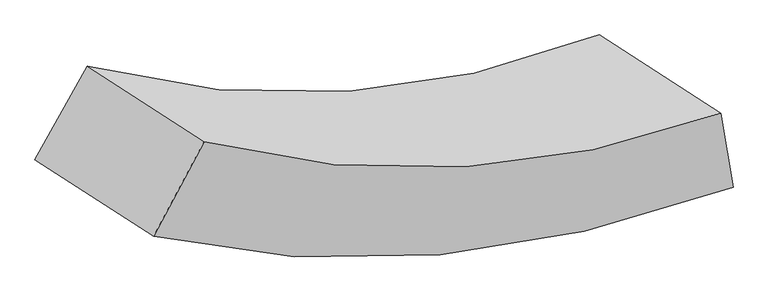
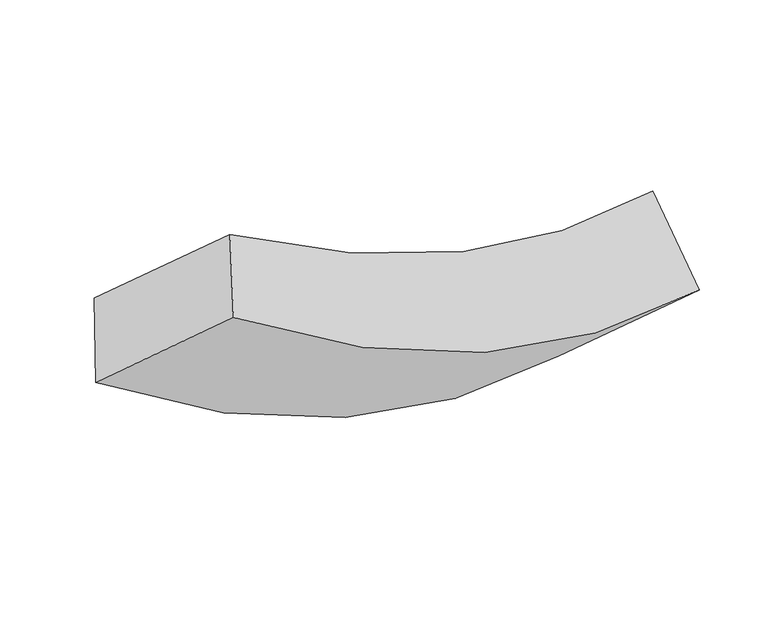
"""IFC4 building model written with IfcOpenShell, lengths in millimetres: proxy geometry."""

from ifc_helpers import new_model, si_unit, frame, origin, place, context, project, spatial, source, transform, mapped, element, save
from ifc_brep_helpers import plane_surface, spline_curve, spline_surface, advanced_brep


def generic_models_8c2211a6(model_context):
    return source(origin(), model_context, "Body", "AdvancedBrep", [
        advanced_brep(
        [(11587.5654352, -2966.6984541, 1750.2160393), (10916.8951289, -2532.9764426, 1264.0971682), (8083.7902625, -2705.0772756, 2078.2374732), (8729.73717, -3122.8106826, 2546.4361968), (11656.5078767, -3376.1479503, 1289.7835797), (8450.0012795, -3646.8687264, 2385.9849424), (10985.8375704, -2942.4259388, 803.6647086), (7793.4542188, -3222.2802079, 1910.1029584)],
        [
            (0, 1),
            (1, 2, spline_curve(3, [(10916.8951289, -2532.9764426, 1264.0971682), (10455.781714131, -2709.835886767, 1315.711418487), (9994.664688101, -2814.015080244, 1406.826243189), (9050.296754201, -2878.524428078, 1674.324560789), (8567.045491399, -2831.712178854, 1854.589837764), (8083.7902625, -2705.0772756, 2078.2374732)], [4, 2, 4], [0.0, 0.48828493720290655, 1.0])),
            (2, 3),
            (3, 0, spline_curve(3, [(8729.73717, -3122.8106826, 2546.4361968), (9208.312217882, -3246.418916116, 2319.3962473), (9691.436178328, -3293.148839048, 2139.038698585), (10644.452629528, -3234.232481215, 1877.809045985), (11113.938090762, -3135.465148826, 1792.759875553), (11587.5654352, -2966.6984541, 1750.2160393)], [4, 2, 4], [0.0, 0.5117150627970934, 1.0])),
            (4, 0),
            (3, 5),
            (5, 4, spline_curve(3, [(8450.0012795, -3646.8687264, 2385.9849424), (8960.087073133, -3764.338541557, 2080.598931884), (9489.031331158, -3798.067663035, 1835.802591595), (10559.55428889, -3700.334420903, 1475.823604094), (11099.445563119, -3576.365040678, 1355.219490183), (11656.5078767, -3376.1479503, 1289.7835797)], [4, 2, 4], [0.0, 5.440408289140913, 10.631714179768355])),
            (6, 4),
            (5, 7),
            (7, 6, spline_curve(3, [(7793.4542188, -3222.2802079, 1910.1029584), (8301.167941084, -3338.216006191, 1602.997610372), (8827.72121781, -3370.398881625, 1356.468226021), (9893.534734826, -3269.620047711, 993.075716321), (10431.109242141, -3144.152415879, 870.792350985), (10985.8375704, -2942.4259388, 803.6647086)], [4, 2, 4], [0.0, 5.803961376278832, 11.342174186848656])),
            (1, 6),
            (7, 2),
        ],
        [
            spline_surface(3, 3, [[(11587.5654352, -2966.6984541, 1750.2160393), (11113.938090757, -3135.465148825, 1792.75987555), (10644.452629522, -3234.232481222, 1877.80904598), (9691.436178333, -3293.148839041, 2139.03869859), (9208.312217888, -3246.418916119, 2319.396247301), (8729.73717, -3122.8106826, 2546.4361968)], [(11364.008666412, -2822.124450254, 1588.17641559), (10894.552631858, -2993.588728127, 1633.743723188), (10427.856649022, -3094.160014226, 1720.814778405), (9477.723036929, -3154.940702045, 1984.133986008), (8994.556642411, -3108.183337038, 2164.460777425), (8514.421534187, -2983.566213605, 2390.369955572)], [(11140.451897688, -2677.550446446, 1426.13679191), (10675.167173024, -2851.712307466, 1474.727570854), (10211.260668601, -2954.087547248, 1563.820510769), (9264.009895604, -3016.732565066, 1829.229273365), (8780.801066872, -2969.94775794, 2009.525307634), (8299.105898313, -2844.321744595, 2234.303714428)], [(10916.8951289, -2532.9764426, 1264.0971682), (10455.781714126, -2709.835886768, 1315.711418492), (9994.664688101, -2814.015080252, 1406.826243195), (9050.296754201, -2878.524428069, 1674.324560783), (8567.045491395, -2831.712178858, 1854.589837758), (8083.7902625, -2705.0772756, 2078.2374732)]], [4, 4], [4, 2, 4], [0.0, 1.0], [0.0, 0.48828493720290655, 1.0]),
            spline_surface(3, 3, [[(11656.5078767, -3376.1479503, 1289.7835797), (11099.44556319, -3576.365040758, 1355.21949023), (10559.554288845, -3700.334420932, 1475.823604135), (9489.031331206, -3798.067663005, 1835.802591551), (8960.087073144, -3764.338541511, 2080.598931907), (8450.0012795, -3646.8687264, 2385.9849424)], [(11633.52706287, -3239.664784898, 1443.26106622), (11104.276405715, -3429.398410112, 1501.066285324), (10587.853735735, -3544.967107681, 1609.818751392), (9556.49961358, -3629.761388336, 1936.881293872), (9042.828788031, -3591.69866638, 2160.198037052), (8543.246576306, -3472.1827118, 2439.46869388)], [(11610.54624903, -3103.181619502, 1596.73855278), (11109.107248231, -3282.431779472, 1646.913080456), (10616.153182632, -3389.599794473, 1743.813898724), (9623.967895959, -3461.45511371, 2037.959996269), (9125.570503, -3419.05879125, 2239.797142156), (8636.491873194, -3297.4966972, 2492.95244532)], [(11587.5654352, -2966.6984541, 1750.2160393), (11113.938090757, -3135.465148825, 1792.75987555), (10644.452629522, -3234.232481222, 1877.80904598), (9691.436178333, -3293.148839041, 2139.03869859), (9208.312217888, -3246.418916119, 2319.396247301), (8729.73717, -3122.8106826, 2546.4361968)]], [4, 4], [4, 2, 4], [0.0, 2.0243454187468255], [0.0, 5.191305890627443, 10.631714179768355]),
            spline_surface(3, 3, [[(10985.8375704, -2942.4259388, 803.6647086), (10431.10924212, -3144.152415851, 870.792350901), (9893.534734831, -3269.62004768, 993.075716381), (8827.721217805, -3370.398881657, 1356.468225958), (8301.167941173, -3338.216006202, 1602.997610406), (7793.4542188, -3222.2802079, 1910.1029584)], [(11209.394339188, -3086.999942646, 965.70433231), (10653.888015831, -3288.223290833, 1032.268064021), (10115.541252853, -3413.191505454, 1153.991678963), (9048.157922289, -3512.95514213, 1516.24634782), (8520.807651829, -3480.256851332, 1762.1980509), (8012.303239032, -3363.809714093, 2068.730286393)], [(11432.951107912, -3231.573946454, 1127.74395599), (10876.666789478, -3432.294165777, 1193.743777111), (10337.547770824, -3556.762963157, 1314.907641554), (9268.594626722, -3655.511402532, 1676.024469689), (8740.447362488, -3622.297696382, 1921.398491413), (8231.152259268, -3505.339220207, 2227.357614407)], [(11656.5078767, -3376.1479503, 1289.7835797), (11099.44556319, -3576.365040758, 1355.21949023), (10559.554288845, -3700.334420932, 1475.823604135), (9489.031331206, -3798.067663005, 1835.802591551), (8960.087073144, -3764.338541511, 2080.598931907), (8450.0012795, -3646.8687264, 2385.9849424)]], [4, 4], [4, 2, 4], [0.0, 3.0350383420430136], [0.0, 5.538212810569823, 11.342174186848656]),
            spline_surface(3, 3, [[(10916.8951289, -2532.9764426, 1264.0971682), (10455.781714126, -2709.835886768, 1315.711418492), (9994.664688101, -2814.015080252, 1406.826243195), (9050.296754201, -2878.524428069, 1674.324560783), (8567.045491395, -2831.712178858, 1854.589837758), (8083.7902625, -2705.0772756, 2078.2374732)], [(10939.87594273, -2669.459608002, 1110.61968168), (10447.557556787, -2854.608063131, 1167.405062641), (9960.954703689, -2965.883402724, 1268.909400931), (8976.104908747, -3042.482579262, 1568.372449182), (8478.419641329, -3000.546787941, 1770.725761995), (7987.011581274, -2877.478253002, 2022.192634955)], [(10962.85675657, -2805.942773398, 957.14219512), (10439.333399458, -2999.380239488, 1019.098706752), (9927.244719243, -3117.751725208, 1130.992558645), (8901.913063258, -3206.440730465, 1462.420337559), (8389.79379124, -3169.381397119, 1686.861686169), (7890.232900026, -3049.879230498, 1966.147796645)], [(10985.8375704, -2942.4259388, 803.6647086), (10431.10924212, -3144.152415851, 870.792350901), (9893.534734831, -3269.62004768, 993.075716381), (8827.721217805, -3370.398881657, 1356.468225958), (8301.167941173, -3338.216006202, 1602.997610406), (7793.4542188, -3222.2802079, 1910.1029584)]], [4, 4], [4, 2, 4], [0.0, 2.034382239319432], [0.0, 5.170382979092308, 10.588864380520011]),
            plane_surface(frame((8264.2457327, -3174.2592231, 2230.1903927), z_axis=(-0.5650047901035963, 0.049428774701623074, 0.8236057208346039), x_axis=(0.45460960912074155, 0.8516669852139378, 0.26075553607102764))),
            plane_surface(frame((11286.7015028, -2954.5621964, 1276.940374), z_axis=(0.6878399506962305, 0.590499569681494, -0.42212138115970577), x_axis=(0.7172944453099709, -0.4638738091313599, 0.5199132311544148))),
        ],
        [
            (0, [[1, 2, 3, 4]]),
            (1, [[5, -4, 6, 7]]),
            (2, [[8, -7, 9, 10]]),
            (3, [[11, -10, 12, -2]]),
            (4, [[-6, -3, -12, -9]]),
            (5, [[-1, -5, -8, -11]]),
        ],
    ),
    ])


if __name__ == "__main__":
    model = new_model("IFC4")
    model_context = context("Model", 3, world=origin())
    ifc_project = project(units=[si_unit("LENGTHUNIT", "METRE", prefix="MILLI")], contexts=[model_context])
    site = spatial("IfcSite", under=ifc_project)
    building = spatial("IfcBuilding", under=site)
    placement = place(None, origin())
    generic_models_shape = generic_models_8c2211a6(model_context)
    element("IfcBuildingElementProxy", 1, Name="Generic Models", at=placement, inside=building, context=model_context, shape_type="MappedRepresentation", body=[
        mapped(generic_models_shape, transform((0.0, 0.0, 0.0), x_axis=(1.0, 0.0, 0.0), y_axis=(0.0, 1.0, 0.0), z_axis=(0.0, 0.0, 1.0))),
    ])
    save(model, "model.ifc")
